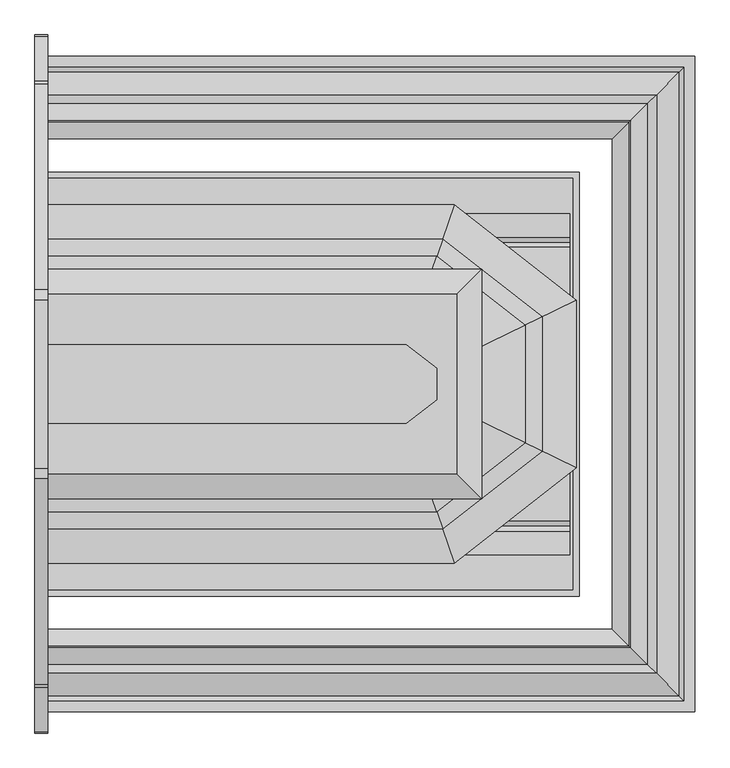
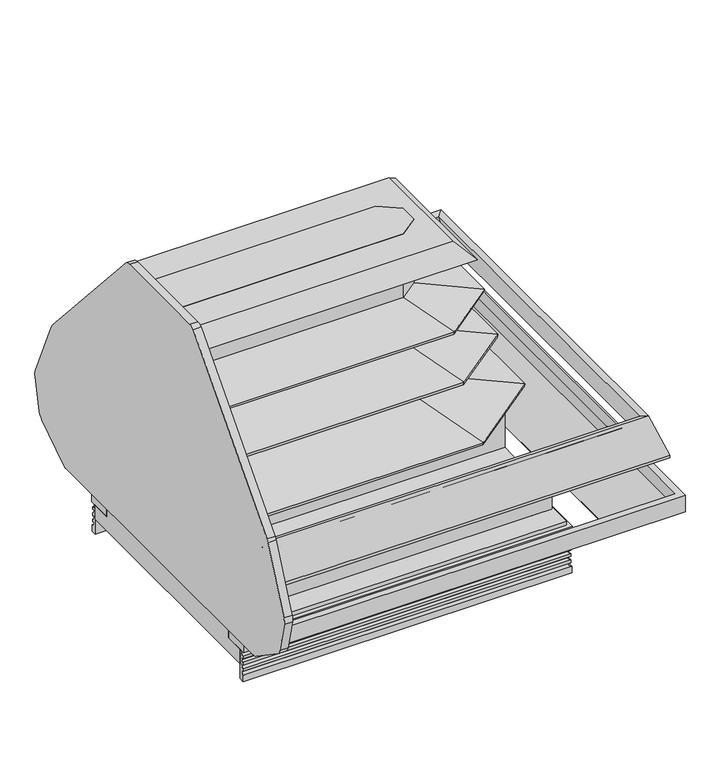
"""IFC4 building model written with IfcOpenShell, lengths in millimetres: proxy geometry."""

from ifc_helpers import new_model, si_unit, point, frame, frame_2d, origin, place, context, project, spatial, polyline, circle_curve, ellipse_curve, trimmed, segment, composite_curve, outline, extrude, faceted_brep, source, transform, mapped, element, save
from ifc_brep_helpers import plane_surface, cylinder_surface, revolved_surface, advanced_brep


def mechanical_equipment_89915a2e(model_context):
    return source(origin(), model_context, "Body", "SolidModel", [
        extrude(outline(polyline([(457.2, -1815.8571273), (762.0, -1815.8571273), (762.0, -1917.4571273), (457.2, -1917.4571273), (457.2, -1815.8571273)])), frame((0.0, 0.0, 139.7), z_axis=(0.0, 0.0, 1.0), x_axis=(1.0, 0.0, 0.0)), (0.0, 0.0, 1.0), 53.975),
        extrude(outline(composite_curve([segment(polyline([(-1085.5128753, 1566.4562797), (-480.526685, 885.637089)]), True, "CONTINUOUS"), segment(trimmed(circle_curve(frame_2d((-518.5002411, 851.8932149)), 50.8), [point((-480.526685, 885.637089))], [point((-471.9860956, 872.3156111))], False, "CARTESIAN"), True, "CONTINUOUS"), segment(polyline([(-471.9860956, 872.3156111), (-341.5370545, 575.204262)]), True, "CONTINUOUS"), segment(trimmed(circle_curve(frame_2d((-387.5961448, 554.9816613)), 50.3030156), [point((-341.5370545, 575.204262))], [point((-338.5835735, 543.6608296))], False, "CARTESIAN"), True, "CONTINUOUS"), segment(polyline([(-338.5835735, 543.6608296), (-374.9847097, 391.220334)]), True, "CONTINUOUS"), segment(trimmed(circle_curve(frame_2d((-424.3955292, 403.0191015)), 50.8), [point((-374.9847097, 391.220334))], [point((-395.2578462, 361.4061777))], False, "CARTESIAN"), True, "CONTINUOUS"), segment(polyline([(-395.2578462, 361.4061777), (-569.0199124, 245.040927)]), True, "CONTINUOUS"), segment(trimmed(circle_curve(frame_2d((-598.1575954, 286.6538508)), 50.8), [point((-569.0199124, 245.040927))], [point((-598.1575954, 235.8538508))], False, "CARTESIAN"), True, "CONTINUOUS"), segment(polyline([(-598.1575954, 235.8538508), (-2125.3844839, 235.8538508)]), True, "CONTINUOUS"), segment(trimmed(circle_curve(frame_2d((-2125.3844839, 286.6538508)), 50.8), [point((-2125.3844839, 235.8538508))], [point((-2154.5221669, 245.040927))], False, "CARTESIAN"), True, "CONTINUOUS"), segment(polyline([(-2154.5221669, 245.040927), (-2328.2842331, 361.4061777)]), True, "CONTINUOUS"), segment(trimmed(circle_curve(frame_2d((-2299.1465501, 403.0191015)), 50.8), [point((-2328.2842331, 361.4061777))], [point((-2348.5573696, 391.220334))], False, "CARTESIAN"), True, "CONTINUOUS"), segment(polyline([(-2348.5573696, 391.220334), (-2384.9585058, 543.6608296)]), True, "CONTINUOUS"), segment(trimmed(circle_curve(frame_2d((-2335.9459345, 554.9816613)), 50.3030156), [point((-2384.9585058, 543.6608296))], [point((-2382.0050248, 575.204262))], False, "CARTESIAN"), True, "CONTINUOUS"), segment(polyline([(-2382.0050248, 575.204262), (-2251.5559837, 872.3156111)]), True, "CONTINUOUS"), segment(trimmed(circle_curve(frame_2d((-2205.0418381, 851.8932149)), 50.8), [point((-2251.5559837, 872.3156111))], [point((-2243.0153942, 885.637089))], False, "CARTESIAN"), True, "CONTINUOUS"), segment(polyline([(-2243.0153942, 885.637089), (-1638.029204, 1566.4562797)]), True, "CONTINUOUS"), segment(trimmed(circle_curve(frame_2d((-1608.8053155, 1524.9038508)), 50.8), [point((-1638.029204, 1566.4562797))], [point((-1608.8053155, 1575.7038508))], False, "CARTESIAN"), True, "CONTINUOUS"), segment(polyline([(-1608.8053155, 1575.7038508), (-1114.7367637, 1575.7038508)]), True, "CONTINUOUS"), segment(trimmed(circle_curve(frame_2d((-1114.7367637, 1524.9038508)), 50.8), [point((-1114.7367637, 1575.7038508))], [point((-1085.5128753, 1566.4562797))], False, "CARTESIAN"), True, "CONTINUOUS")], self_intersect=False)), frame((-38.1, 0.0, 0.0), z_axis=(1.0, 0.0, 0.0), x_axis=(0.0, 1.0, 0.0)), (0.0, 0.0, 1.0), 38.1),
        extrude(outline(polyline([(1051.6869938, -1246.7701211), (1140.5869938, -1316.2264133), (1140.5869938, -1407.4378289), (1051.6869938, -1476.8941211), (0.0, -1476.8941211), (0.0, -1246.7701211), (1051.6869938, -1246.7701211)])), frame((0.0, 0.0, 529.6852408), z_axis=(0.0, 0.0, 1.0), x_axis=(1.0, 0.0, 0.0)), (0.0, 0.0, 1.0), 1037.1772592),
        faceted_brep([(0.0, -1645.8233285, 971.7119545), (0.0, -1648.0286603, 984.219013), (0.0, -1784.8246123, 960.0981958), (0.0, -1787.1677774, 973.3869454), (0.0, -1476.8941211, 1028.0965624), (0.0, -1476.8941211, 969.4224998), (1110.6133413, -1075.6355819, 984.219013), (1109.8539846, -1077.8409138, 971.7119545), (0.0, -1077.8409138, 971.7119545), (0.0, -1075.6355819, 984.219013), (1157.7159649, -938.83963, 960.0981958), (0.0, -938.83963, 960.0981958), (1158.5227813, -936.4964649, 973.3869454), (0.0, -936.4964649, 973.3869454), (1051.6869938, -1246.7701211, 1028.0965624), (0.0, -1246.7701211, 1028.0965624), (1051.6869938, -1246.7701211, 969.4224998), (0.0, -1246.7701211, 969.4224998), (1109.8539846, -1645.8233285, 971.7119545), (1110.6133413, -1648.0286603, 984.219013), (1157.7159649, -1784.8246123, 960.0981958), (1158.5227813, -1787.1677774, 973.3869454), (1051.6869938, -1476.8941211, 1028.0965624), (1051.6869938, -1476.8941211, 969.4224998), (1309.5162012, -1489.8301085, 971.7119545), (1311.721533, -1490.9057207, 984.219013), (1448.517485, -1557.6255645, 960.0981958), (1450.8606501, -1558.7684025, 973.3869454), (1140.5869938, -1407.4378289, 1028.0965624), (1140.5869938, -1407.4378289, 969.4224998), (1309.5162012, -1233.8341337, 971.7119545), (1311.721533, -1232.7585215, 984.219013), (1448.517485, -1166.0386778, 960.0981958), (1450.8606501, -1164.8958398, 973.3869454), (1140.5869938, -1316.2264133, 1028.0965624), (1140.5869938, -1316.2264133, 969.4224998)], [[[0, 1, 2, 3, 4, 5]], [[6, 7, 8, 9]], [[10, 6, 9, 11]], [[12, 10, 11, 13]], [[14, 12, 13, 15]], [[16, 14, 15, 17]], [[7, 16, 17, 8]], [[8, 17, 15, 13, 11, 9]], [[1, 0, 18, 19]], [[2, 1, 19, 20]], [[3, 2, 20, 21]], [[4, 3, 21, 22]], [[5, 4, 22, 23]], [[0, 5, 23, 18]], [[19, 18, 24, 25]], [[20, 19, 25, 26]], [[21, 20, 26, 27]], [[22, 21, 27, 28]], [[23, 22, 28, 29]], [[18, 23, 29, 24]], [[25, 24, 30, 31]], [[26, 25, 31, 32]], [[27, 26, 32, 33]], [[28, 27, 33, 34]], [[29, 28, 34, 35]], [[24, 29, 35, 30]], [[31, 30, 7, 6]], [[32, 31, 6, 10]], [[33, 32, 10, 12]], [[34, 33, 12, 14]], [[35, 34, 14, 16]], [[30, 35, 16, 7]]]),
        faceted_brep([(0.0, -1476.8941211, 734.6361537), (0.0, -1748.5765466, 725.7131569), (0.0, -1749.6792126, 731.9666861), (0.0, -1884.9117822, 708.1215354), (0.0, -1887.2549473, 721.410285), (0.0, -1476.8941211, 793.7679705), (1145.234755, -975.0876956, 725.7131569), (1051.6869938, -1246.7701211, 734.6361537), (0.0, -1246.7701211, 734.6361537), (0.0, -975.0876956, 725.7131569), (1145.6144333, -973.9850297, 731.9666861), (0.0, -973.9850297, 731.9666861), (1192.1787412, -838.7524601, 708.1215354), (0.0, -838.7524601, 708.1215354), (1192.9855577, -836.409295, 721.410285), (0.0, -836.409295, 721.410285), (1051.6869938, -1246.7701211, 793.7679705), (0.0, -1246.7701211, 793.7679705), (1051.6869938, -1476.8941211, 734.6361537), (1145.234755, -1748.5765466, 725.7131569), (1145.6144333, -1749.6792126, 731.9666861), (1192.1787412, -1884.9117822, 708.1215354), (1192.9855577, -1887.2549473, 721.410285), (1051.6869938, -1476.8941211, 793.7679705), (1140.5869938, -1407.4378289, 734.6361537), (1412.2694193, -1539.9462016, 725.7131569), (1413.3720853, -1540.4840077, 731.9666861), (1548.6046549, -1606.4413389, 708.1215354), (1550.94782, -1607.5841769, 721.410285), (1140.5869938, -1407.4378289, 793.7679705), (1140.5869938, -1316.2264133, 734.6361537), (1412.2694193, -1183.7180407, 725.7131569), (1413.3720853, -1183.1802346, 731.9666861), (1548.6046549, -1117.2229033, 708.1215354), (1550.94782, -1116.0800653, 721.410285), (1140.5869938, -1316.2264133, 793.7679705)], [[[0, 1, 2, 3, 4, 5]], [[6, 7, 8, 9]], [[10, 6, 9, 11]], [[12, 10, 11, 13]], [[14, 12, 13, 15]], [[16, 14, 15, 17]], [[7, 16, 17, 8]], [[8, 17, 15, 13, 11, 9]], [[1, 0, 18, 19]], [[2, 1, 19, 20]], [[3, 2, 20, 21]], [[4, 3, 21, 22]], [[5, 4, 22, 23]], [[0, 5, 23, 18]], [[19, 18, 24, 25]], [[20, 19, 25, 26]], [[21, 20, 26, 27]], [[22, 21, 27, 28]], [[23, 22, 28, 29]], [[18, 23, 29, 24]], [[25, 24, 30, 31]], [[26, 25, 31, 32]], [[27, 26, 32, 33]], [[28, 27, 33, 34]], [[29, 28, 34, 35]], [[24, 29, 35, 30]], [[31, 30, 7, 6]], [[32, 31, 6, 10]], [[33, 32, 10, 12]], [[34, 33, 12, 14]], [[35, 34, 14, 16]], [[30, 35, 16, 7]]]),
        faceted_brep([(0.0, -1645.8233285, 1192.8622556), (0.0, -1648.0286603, 1205.3693141), (0.0, -1734.7963784, 1190.0698243), (0.0, -1737.1395435, 1203.3585739), (0.0, -1476.8941211, 1249.2468635), (0.0, -1476.8941211, 1190.5728009), (0.0, -1077.8409138, 1192.8622556), (0.0, -1246.7701211, 1190.5728009), (0.0, -1246.7701211, 1249.2468635), (0.0, -986.5246988, 1203.3585739), (0.0, -988.8678638, 1190.0698243), (0.0, -1075.6355819, 1205.3693141), (1110.6133413, -1648.0286603, 1205.3693141), (1109.8539846, -1645.8233285, 1192.8622556), (1309.5162012, -1489.8301085, 1192.8622556), (1311.721533, -1490.9057207, 1205.3693141), (1140.4898625, -1734.7963784, 1190.0698243), (1398.4892511, -1533.2251645, 1190.0698243), (1141.296679, -1737.1395435, 1203.3585739), (1400.8324162, -1534.3680025, 1203.3585739), (1051.6869938, -1476.8941211, 1249.2468635), (1140.5869938, -1407.4378289, 1249.2468635), (1051.6869938, -1476.8941211, 1190.5728009), (1140.5869938, -1407.4378289, 1190.5728009), (1309.5162012, -1233.8341337, 1192.8622556), (1311.721533, -1232.7585215, 1205.3693141), (1398.4892511, -1190.4390778, 1190.0698243), (1400.8324162, -1189.2962398, 1203.3585739), (1140.5869938, -1316.2264133, 1249.2468635), (1140.5869938, -1316.2264133, 1190.5728009), (1109.8539846, -1077.8409138, 1192.8622556), (1110.6133413, -1075.6355819, 1205.3693141), (1140.4898625, -988.8678638, 1190.0698243), (1141.296679, -986.5246988, 1203.3585739), (1051.6869938, -1246.7701211, 1249.2468635), (1051.6869938, -1246.7701211, 1190.5728009)], [[[0, 1, 2, 3, 4, 5]], [[6, 7, 8, 9, 10, 11]], [[12, 13, 14, 15]], [[16, 12, 15, 17]], [[18, 16, 17, 19]], [[20, 18, 19, 21]], [[22, 20, 21, 23]], [[13, 22, 23, 14]], [[15, 14, 24, 25]], [[17, 15, 25, 26]], [[19, 17, 26, 27]], [[21, 19, 27, 28]], [[23, 21, 28, 29]], [[14, 23, 29, 24]], [[25, 24, 30, 31]], [[26, 25, 31, 32]], [[27, 26, 32, 33]], [[28, 27, 33, 34]], [[29, 28, 34, 35]], [[24, 29, 35, 30]], [[31, 30, 6, 11]], [[32, 31, 11, 10]], [[33, 32, 10, 9]], [[34, 33, 9, 8]], [[35, 34, 8, 7]], [[30, 35, 7, 6]], [[1, 0, 13, 12]], [[2, 1, 12, 16]], [[3, 2, 16, 18]], [[4, 3, 18, 20]], [[5, 4, 20, 22]], [[0, 5, 22, 13]]]),
        faceted_brep([(0.0, -400.0738396, 393.2587782), (0.0, -624.4162298, 236.1725455), (0.0, -642.1057162, 261.4357503), (0.0, -431.0303317, 409.2323256), (0.0, -431.0303317, 475.7067395), (0.0, -400.0738396, 475.7067395), (0.0, -2323.590415, 393.2587782), (0.0, -2323.590415, 475.7067395), (0.0, -2292.6339229, 475.7067395), (0.0, -2292.6339229, 409.2323256), (0.0, -2081.5585384, 261.4357503), (0.0, -2099.2480248, 236.1725455), (1867.4267956, -431.0303317, 409.2323256), (1867.4267956, -431.0303317, 475.7067395), (1867.4267956, -2292.6339229, 475.7067395), (1898.3832877, -2323.590415, 475.7067395), (1898.3832877, -400.0738396, 475.7067395), (1898.3832877, -400.0738396, 393.2587782), (1867.4267956, -2292.6339229, 409.2323256), (1898.3832877, -2323.590415, 393.2587782), (1674.0408975, -624.4162298, 236.1725455), (1656.3514111, -642.1057162, 261.4357503), (1674.0408975, -2099.2480248, 236.1725455), (1656.3514111, -2081.5585384, 261.4357503)], [[[0, 1, 2, 3, 4, 5]], [[6, 7, 8, 9, 10, 11]], [[4, 3, 12, 13]], [[5, 4, 13, 14, 8, 7, 15, 16]], [[0, 5, 16, 17]], [[13, 12, 18, 14]], [[17, 16, 15, 19]], [[14, 18, 9, 8]], [[19, 15, 7, 6]], [[1, 0, 17, 20]], [[2, 1, 20, 21]], [[3, 2, 21, 12]], [[20, 17, 19, 22]], [[21, 20, 22, 23]], [[12, 21, 23, 18]], [[22, 19, 6, 11]], [[23, 22, 11, 10]], [[18, 23, 10, 9]]]),
        extrude(outline(composite_curve([segment(trimmed(circle_curve(frame_2d((974.725, -1361.8321273)), 19.05), [point((955.675, -1361.8321273))], [point((993.775, -1361.8321273))], False, "CARTESIAN"), True, "CONTINUOUS"), segment(trimmed(circle_curve(frame_2d((974.725, -1361.8321273)), 19.05), [point((993.775, -1361.8321273))], [point((955.675, -1361.8321273))], False, "CARTESIAN"), True, "CONTINUOUS")], self_intersect=False)), frame((0.0, 0.0, 43.7437524), z_axis=(0.0, 0.0, 1.0), x_axis=(1.0, 0.0, 0.0)), (0.0, 0.0, 1.0), 210.2562476),
        extrude(outline(composite_curve([segment(trimmed(circle_curve(frame_2d((105.4191453, -889.3908129)), 11.1125), [point((94.3066453, -889.3908129))], [point((116.5316453, -889.3908129))], False, "CARTESIAN"), True, "CONTINUOUS"), segment(trimmed(circle_curve(frame_2d((105.4191453, -889.3908129)), 11.1125), [point((116.5316453, -889.3908129))], [point((94.3066453, -889.3908129))], False, "CARTESIAN"), True, "CONTINUOUS")], self_intersect=False)), frame((0.0, 0.0, 43.7437524), z_axis=(0.0, 0.0, 1.0), x_axis=(1.0, 0.0, 0.0)), (0.0, 0.0, 1.0), 210.2562476),
        extrude(outline(composite_curve([segment(trimmed(circle_curve(frame_2d((105.8867913, -909.9672391)), 4.7625), [point((101.1242913, -909.9672391))], [point((110.6492913, -909.9672391))], False, "CARTESIAN"), True, "CONTINUOUS"), segment(trimmed(circle_curve(frame_2d((105.8867913, -909.9672391)), 4.7625), [point((110.6492913, -909.9672391))], [point((101.1242913, -909.9672391))], False, "CARTESIAN"), True, "CONTINUOUS")], self_intersect=False)), frame((0.0, 0.0, 43.7437524), z_axis=(0.0, 0.0, 1.0), x_axis=(1.0, 0.0, 0.0)), (0.0, 0.0, 1.0), 210.2562476),
        faceted_brep([(0.0, -1983.9416266, 146.05), (0.0, -1983.9416266, 233.7483804), (0.0, -1966.0346266, 233.7483804), (0.0, -1966.0346266, 254.0), (0.0, -1862.2307062, 254.0), (0.0, -1862.2307062, 146.05), (0.0, -739.722628, 146.05), (0.0, -861.4335484, 146.05), (0.0, -861.4335484, 254.0), (0.0, -757.629628, 254.0), (0.0, -757.629628, 233.7483804), (0.0, -739.722628, 233.7483804), (781.05, -1945.8161983, 206.9984495), (406.4, -1945.8161983, 206.9984495), (406.4, -1862.2307062, 206.9984495), (781.05, -1862.2307062, 206.9984495), (781.05, -1945.8161983, 146.05), (406.4, -1945.8161983, 146.05), (781.05, -1862.2307062, 146.05), (406.4, -1862.2307062, 146.05), (1558.7344993, -1983.9416266, 233.7483804), (1558.7344993, -1983.9416266, 146.05), (1558.7344993, -739.722628, 146.05), (1558.7344993, -739.722628, 233.7483804), (1540.8274993, -1966.0346266, 254.0), (1540.8274993, -1966.0346266, 233.7483804), (1540.8274993, -757.629628, 233.7483804), (1540.8274993, -757.629628, 254.0), (1437.0235789, -1862.2307062, 146.05), (1437.0235789, -1862.2307062, 254.0), (1437.0235789, -861.4335484, 254.0), (1437.0235789, -861.4335484, 146.05)], [[[0, 1, 2, 3, 4, 5]], [[6, 7, 8, 9, 10, 11]], [[12, 13, 14, 15]], [[13, 12, 16, 17]], [[12, 15, 18, 16]], [[14, 13, 17, 19]], [[20, 21, 22, 23]], [[24, 25, 26, 27]], [[28, 29, 30, 31]], [[6, 11, 23, 22]], [[10, 9, 27, 26]], [[8, 7, 31, 30]], [[1, 0, 21, 20]], [[2, 1, 20, 23, 11, 10, 26, 25]], [[3, 2, 25, 24]], [[4, 3, 24, 27, 9, 8, 30, 29]], [[5, 4, 29, 28, 18, 15, 14, 19]], [[0, 5, 19, 17, 16, 18, 28, 31, 7, 6, 22, 21]]]),
        advanced_brep(
        [(1531.7553221, -1476.8941211, 529.6852408), (1531.7553221, -1476.8941211, 330.5006237), (1531.7553221, -1762.7267176, 316.0191309), (1531.7553221, -1778.0110647, 301.5392231), (1531.7553221, -1793.2737198, 315.9985806), (1531.7553221, -1862.2498492, 318.4951693), (1531.7553221, -1862.2498492, 146.05), (1531.7553221, -1956.9624494, 146.05), (1531.7553221, -1956.9624494, 74.4934376), (1531.7553221, -766.7018052, 74.4934376), (1531.7553221, -766.7018052, 146.05), (1531.7553221, -861.4335484, 146.05), (1531.7553221, -861.4335484, 318.4944764), (1531.7553221, -930.3905348, 315.9985806), (1531.7553221, -945.6531899, 301.5392231), (1531.7553221, -960.937537, 316.0191309), (1531.7553221, -1246.7701335, 330.5006237), (1531.7553221, -1246.7701335, 529.6852408), (0.0, -1476.8941211, 529.6852408), (0.0, -1246.7701335, 529.6852408), (0.0, -1246.7701335, 330.5006237), (0.0, -960.937537, 316.0191309), (0.0, -945.6531899, 301.5392231), (0.0, -930.3905348, 315.9985806), (0.0, -861.4335484, 318.4944764), (0.0, -861.4335484, 146.05), (0.0, -766.7018052, 146.05), (0.0, -766.7018052, 74.4934376), (0.0, -1956.9624494, 74.4934376), (0.0, -1956.9624494, 146.05), (0.0, -1862.2498492, 146.05), (0.0, -1862.2498492, 318.4951693), (0.0, -1793.2737198, 315.9985806), (0.0, -1778.0110647, 301.5392231), (0.0, -1762.7267176, 316.0191309), (0.0, -1476.8941211, 330.5006237), (80.9625, -896.6946273, 254.0), (131.7625, -896.6946273, 254.0), (131.7625, -896.6946273, 74.4934376), (80.9625, -896.6946273, 74.4934376), (942.975, -1361.3307706, 254.0), (1006.475, -1361.3307706, 254.0), (1006.475, -1361.3307706, 74.4934376), (942.975, -1361.3307706, 74.4934376), (406.4, -1788.8696273, 206.9984495), (781.05, -1788.8696273, 206.9984495), (781.05, -1862.2498492, 206.9984495), (406.4, -1862.2498492, 206.9984495), (406.4, -1945.8161983, 74.4934376), (406.4, -1945.8161983, 146.05), (781.05, -1945.8161983, 146.05), (781.05, -1945.8161983, 74.4934376), (781.05, -1788.8696273, 74.4934376), (781.05, -1862.2498492, 146.05), (406.4, -1788.8696273, 74.4934376), (406.4, -1862.2498492, 146.05)],
        [
            (0, 1),
            (1, 2),
            (2, 3),
            (3, 4),
            (4, 5),
            (5, 6),
            (6, 7),
            (7, 8),
            (8, 9),
            (9, 10),
            (10, 11),
            (11, 12),
            (12, 13),
            (13, 14),
            (14, 15),
            (15, 16),
            (16, 17),
            (17, 0),
            (18, 19),
            (19, 20),
            (20, 21),
            (21, 22),
            (22, 23),
            (23, 24),
            (24, 25),
            (25, 26),
            (26, 27),
            (27, 28),
            (28, 29),
            (29, 30),
            (30, 31),
            (31, 32),
            (32, 33),
            (33, 34),
            (34, 35),
            (35, 18),
            (17, 19),
            (18, 0),
            (36, 37, circle_curve(frame((106.3625, -896.6946273, 254.0), z_axis=(0.0, 0.0, -1.0), x_axis=(1.0, 0.0, 0.0)), 25.4)),
            (37, 36, circle_curve(frame((106.3625, -896.6946273, 254.0), z_axis=(0.0, 0.0, -1.0), x_axis=(1.0, 0.0, 0.0)), 25.4)),
            (37, 38),
            (38, 39, circle_curve(frame((106.3625, -896.6946273, 74.4934376), z_axis=(0.0, 0.0, -1.0), x_axis=(1.0, 0.0, 0.0)), 25.4)),
            (39, 36),
            (39, 38, circle_curve(frame((106.3625, -896.6946273, 74.4934376), z_axis=(0.0, 0.0, -1.0), x_axis=(1.0, 0.0, 0.0)), 25.4)),
            (40, 41, circle_curve(frame((974.725, -1361.3307706, 254.0), z_axis=(0.0, 0.0, -1.0), x_axis=(1.0, 0.0, 0.0)), 31.75)),
            (41, 40, circle_curve(frame((974.725, -1361.3307706, 254.0), z_axis=(0.0, 0.0, -1.0), x_axis=(1.0, 0.0, 0.0)), 31.75)),
            (41, 42),
            (42, 43, circle_curve(frame((974.725, -1361.3307706, 74.4934376), z_axis=(0.0, 0.0, -1.0), x_axis=(1.0, 0.0, 0.0)), 31.75)),
            (43, 40),
            (43, 42, circle_curve(frame((974.725, -1361.3307706, 74.4934376), z_axis=(0.0, 0.0, -1.0), x_axis=(1.0, 0.0, 0.0)), 31.75)),
            (44, 45),
            (45, 46),
            (46, 47),
            (47, 44),
            (48, 49),
            (49, 50),
            (50, 51),
            (51, 48),
            (45, 52),
            (52, 51),
            (50, 53),
            (53, 46),
            (44, 54),
            (54, 52),
            (47, 55),
            (55, 49),
            (48, 54),
            (11, 25),
            (24, 12),
            (23, 13),
            (22, 14),
            (21, 15),
            (20, 16),
            (35, 1),
            (34, 2),
            (33, 3),
            (32, 4),
            (31, 5),
            (30, 55),
            (53, 6),
            (29, 7),
            (28, 8),
            (27, 9),
            (26, 10),
        ],
        [
            plane_surface(frame((1531.7553221, -1476.8941211, 561.4683528), z_axis=(1.0, 0.0, 0.0), x_axis=(0.0, 0.0, -1.0))),
            plane_surface(frame((0.0, -1476.8941211, 561.4683528), z_axis=(-1.0, 0.0, 0.0), x_axis=(0.0, 0.0, 1.0))),
            plane_surface(frame((1531.7553221, -1246.7701335, 529.6852408), z_axis=(0.0, 0.0, 1.0), x_axis=(-1.0, 0.0, 0.0))),
            plane_surface(frame((131.7625, -896.6946273, 254.0), z_axis=(0.0, 0.0, -1.0), x_axis=(0.0, 1.0, 0.0))),
            revolved_surface(polyline([(131.7625, -896.6946273, 254.0), (131.7625, -896.6946273, 74.4934376)]), (106.3625, -896.6946273, 0.0), (0.0, 0.0, 1.0)),
            plane_surface(frame((1006.475, -1361.3307706, 254.0), z_axis=(0.0, 0.0, -1.0), x_axis=(0.0, 1.0, 0.0))),
            revolved_surface(polyline([(1006.475, -1361.3307706, 254.0), (1006.475, -1361.3307706, 74.4934376)]), (974.725, -1361.3307706, 0.0), (0.0, 0.0, 1.0)),
            plane_surface(frame((781.05, -1945.8161983, 206.9984495), z_axis=(0.0, 0.0, -1.0), x_axis=(1.0, 0.0, 0.0))),
            plane_surface(frame((406.4, -1945.8161983, 206.9984495), z_axis=(0.0, 1.0, 0.0), x_axis=(0.0, 0.0, -1.0))),
            plane_surface(frame((781.05, -1945.8161983, 206.9984495), z_axis=(-1.0, 0.0, 0.0), x_axis=(0.0, 0.0, -1.0))),
            plane_surface(frame((781.05, -1788.8696273, 206.9984495), z_axis=(0.0, -1.0, 0.0), x_axis=(0.0, 0.0, -1.0))),
            plane_surface(frame((406.4, -1788.8696273, 206.9984495), z_axis=(1.0, 0.0, 0.0), x_axis=(0.0, 0.0, -1.0))),
            plane_surface(frame((1531.7553221, -861.4335484, 146.05), z_axis=(0.0, 1.0, 0.0), x_axis=(-1.0, 0.0, 0.0))),
            plane_surface(frame((1531.7553221, -861.4335484, 318.4944764), z_axis=(0.0, -0.03617128099651393, 0.9993456050991926), x_axis=(-1.0, 0.0, 0.0))),
            plane_surface(frame((1531.7553221, -930.3905348, 315.9985806), z_axis=(0.0, -0.6877446479107889, 0.7259526839058211), x_axis=(-1.0, 0.0, 0.0))),
            plane_surface(frame((1531.7553221, -945.6531899, 301.5392231), z_axis=(0.0, 0.6877446479107768, 0.7259526839058327), x_axis=(-1.0, 0.0, 0.0))),
            plane_surface(frame((1531.7553221, -960.937537, 316.0191309), z_axis=(0.0, 0.05059934604184178, 0.998719032651395), x_axis=(-1.0, 0.0, 0.0))),
            plane_surface(frame((1531.7553221, -1246.7701335, 330.5006237), z_axis=(0.0, 1.0, 0.0), x_axis=(-1.0, 0.0, 0.0))),
            plane_surface(frame((1531.7553221, -1476.8941211, 529.6852408), z_axis=(0.0, -1.0, 0.0), x_axis=(-1.0, 0.0, 0.0))),
            plane_surface(frame((1531.7553221, -1476.8941211, 330.5006237), z_axis=(0.0, -0.05059934604185542, 0.9987190326513942), x_axis=(-1.0, 0.0, 0.0))),
            plane_surface(frame((1531.7553221, -1762.7267176, 316.0191309), z_axis=(0.0, -0.6877446479107836, 0.7259526839058262), x_axis=(-1.0, 0.0, 0.0))),
            plane_surface(frame((1531.7553221, -1778.0110647, 301.5392231), z_axis=(0.0, 0.6877446479107799, 0.7259526839058296), x_axis=(-1.0, 0.0, 0.0))),
            plane_surface(frame((1531.7553221, -1793.2737198, 315.9985806), z_axis=(0.0, 0.03617128099650122, 0.999345605099193), x_axis=(-1.0, 0.0, 0.0))),
            plane_surface(frame((1531.7553221, -1862.2498492, 318.4951693), z_axis=(0.0, -1.0, 0.0), x_axis=(-1.0, 0.0, 0.0))),
            plane_surface(frame((1531.7553221, -1862.2498492, 146.05), z_axis=(0.0, 0.0, 1.0), x_axis=(-1.0, 0.0, 0.0))),
            plane_surface(frame((1531.7553221, -1956.9624494, 146.05), z_axis=(0.0, -1.0, 0.0), x_axis=(-1.0, 0.0, 0.0))),
            plane_surface(frame((1531.7553221, -1956.9624494, 74.4934376), z_axis=(0.0, 0.0, -1.0), x_axis=(-1.0, 0.0, 0.0))),
            plane_surface(frame((1531.7553221, -766.7018052, 74.4934376), z_axis=(0.0, 1.0, 0.0), x_axis=(-1.0, 0.0, 0.0))),
            plane_surface(frame((1531.7553221, -766.7018052, 146.05), z_axis=(0.0, 0.0, 1.0), x_axis=(-1.0, 0.0, 0.0))),
        ],
        [
            (0, [[1, 2, 3, 4, 5, 6, 7, 8, 9, 10, 11, 12, 13, 14, 15, 16, 17, 18]]),
            (1, [[19, 20, 21, 22, 23, 24, 25, 26, 27, 28, 29, 30, 31, 32, 33, 34, 35, 36]]),
            (2, [[-18, 37, -19, 38]]),
            (3, [[39, 40]]),
            (4, [[-40, 41, 42, 43]]),
            (4, [[-39, -43, 44, -41]]),
            (5, [[45, 46]]),
            (6, [[-46, 47, 48, 49]]),
            (6, [[-45, -49, 50, -47]]),
            (7, [[51, 52, 53, 54]]),
            (8, [[55, 56, 57, 58]]),
            (9, [[-52, 59, 60, -57, 61, 62]]),
            (10, [[-51, 63, 64, -59]]),
            (11, [[-54, 65, 66, -55, 67, -63]]),
            (12, [[-12, 68, -25, 69]]),
            (13, [[-13, -69, -24, 70]]),
            (14, [[-14, -70, -23, 71]]),
            (15, [[-15, -71, -22, 72]]),
            (16, [[-16, -72, -21, 73]]),
            (17, [[-17, -73, -20, -37]]),
            (18, [[-1, -38, -36, 74]]),
            (19, [[-2, -74, -35, 75]]),
            (20, [[-3, -75, -34, 76]]),
            (21, [[-4, -76, -33, 77]]),
            (22, [[-5, -77, -32, 78]]),
            (23, [[-6, -78, -31, 79, -65, -53, -62, 80]]),
            (24, [[-7, -80, -61, -56, -66, -79, -30, 81]]),
            (25, [[-8, -81, -29, 82]]),
            (26, [[-9, -82, -28, 83], [-42, -44], [-48, -50], [-58, -60, -64, -67]]),
            (27, [[-10, -83, -27, 84]]),
            (28, [[-11, -84, -26, -68]]),
        ],
    ),
        advanced_brep(
        [(0.0, -1970.5598032, 41.0863151), (0.0, -1967.0707061, 52.2515752), (0.0, -1977.7079014, 50.0937524), (0.0, -1979.7018014, 50.0937524), (0.0, -1979.7018014, 62.7937524), (0.0, -1970.5598032, 72.0584982), (0.0, -1967.0707061, 83.2237583), (0.0, -1977.7079014, 81.0659355), (0.0, -1979.7018014, 81.0659355), (0.0, -1979.7018014, 93.7659355), (0.0, -1970.5598032, 103.0306813), (0.0, -1967.0707061, 114.0694894), (0.0, -1977.7079014, 112.0383055), (0.0, -1979.7018014, 112.0383055), (0.0, -1979.7018014, 124.7383055), (0.0, -1967.0707061, 137.4381186), (0.0, -1967.0707061, 146.05), (0.0, -1956.9624494, 146.05), (0.0, -1956.9624494, 0.0), (0.0, -1982.5901061, 0.0), (0.0, -1982.5901061, 31.4790022), (0.0, -753.1044514, 41.0863151), (0.0, -741.0741485, 31.4790022), (0.0, -741.0741485, 0.0), (0.0, -766.7018052, 0.0), (0.0, -766.7018052, 146.05), (0.0, -756.5935485, 146.05), (0.0, -756.5935485, 137.4381186), (0.0, -743.9624532, 124.7383055), (0.0, -743.9624532, 112.0383055), (0.0, -745.9563532, 112.0383055), (0.0, -756.5935485, 114.0694894), (0.0, -753.1044514, 103.0306813), (0.0, -743.9624532, 93.7659355), (0.0, -743.9624532, 81.0659355), (0.0, -745.9563532, 81.0659355), (0.0, -756.5935485, 83.2237583), (0.0, -753.1044514, 72.0584982), (0.0, -743.9624532, 62.7937524), (0.0, -743.9624532, 50.0937524), (0.0, -745.9563532, 50.0937524), (0.0, -756.5935485, 52.2515752), (1545.3526759, -1970.5598032, 41.0863151), (1541.8635788, -1967.0707061, 52.2515752), (1552.5007741, -1977.7079014, 50.0937524), (1552.5007741, -745.9563532, 50.0937524), (1554.4946741, -743.9624532, 50.0937524), (1554.4946741, -1979.7018014, 50.0937524), (1554.4946741, -1979.7018014, 62.7937524), (1545.3526759, -1970.5598032, 72.0584982), (1541.8635788, -1967.0707061, 83.2237583), (1552.5007741, -1977.7079014, 81.0659355), (1552.5007741, -745.9563532, 81.0659355), (1554.4946741, -743.9624532, 81.0659355), (1554.4946741, -1979.7018014, 81.0659355), (1554.4946741, -1979.7018014, 93.7659355), (1545.3526759, -1970.5598032, 103.0306813), (1541.8635788, -1967.0707061, 114.0694894), (1552.5007741, -1977.7079014, 112.0383055), (1552.5007741, -745.9563532, 112.0383055), (1554.4946741, -743.9624532, 112.0383055), (1554.4946741, -1979.7018014, 112.0383055), (1554.4946741, -1979.7018014, 124.7383055), (1541.8635788, -1967.0707061, 137.4381186), (1541.8635788, -1967.0707061, 146.05), (1541.8635788, -756.5935485, 146.05), (1531.7553221, -766.7018052, 146.05), (1531.7553221, -1956.9624494, 146.05), (1531.7553221, -1956.9624494, 0.0), (1531.7553221, -766.7018052, 0.0), (1557.3829788, -741.0741485, 0.0), (1557.3829788, -1982.5901061, 0.0), (1557.3829788, -1982.5901061, 31.4790022), (1545.3526759, -753.1044514, 41.0863151), (1541.8635788, -756.5935485, 52.2515752), (1554.4946741, -743.9624532, 62.7937524), (1545.3526759, -753.1044514, 72.0584982), (1541.8635788, -756.5935485, 83.2237583), (1554.4946741, -743.9624532, 93.7659355), (1545.3526759, -753.1044514, 103.0306813), (1541.8635788, -756.5935485, 114.0694894), (1554.4946741, -743.9624532, 124.7383055), (1541.8635788, -756.5935485, 137.4381186), (1557.3829788, -741.0741485, 31.4790022)],
        [
            (0, 1),
            (1, 2),
            (2, 3),
            (3, 4),
            (4, 5, circle_curve(frame((0.0, -1982.8936404, 75.0861144), z_axis=(1.0, 0.0, 0.0), x_axis=(0.0, 1.0, 0.0)), 12.7)),
            (5, 6),
            (6, 7),
            (7, 8),
            (8, 9),
            (9, 10, circle_curve(frame((0.0, -1982.8936404, 106.0582975), z_axis=(1.0, 0.0, 0.0), x_axis=(0.0, 1.0, 0.0)), 12.7)),
            (10, 11),
            (11, 12),
            (12, 13),
            (13, 14),
            (14, 15, circle_curve(frame((0.0, -1979.7707061, 137.4381186), z_axis=(1.0, 0.0, 0.0), x_axis=(0.0, 1.0, 0.0)), 12.7)),
            (15, 16),
            (16, 17),
            (17, 18),
            (18, 19),
            (19, 20),
            (20, 0, circle_curve(frame((0.0, -1981.5363588, 42.4953422), z_axis=(1.0, 0.0, 0.0), x_axis=(0.0, 1.0, 0.0)), 11.0666223)),
            (21, 22, circle_curve(frame((0.0, -742.1278958, 42.4953422), z_axis=(1.0, 0.0, 0.0), x_axis=(0.0, -1.0, 0.0)), 11.0666223)),
            (22, 23),
            (23, 24),
            (24, 25),
            (25, 26),
            (26, 27),
            (27, 28, circle_curve(frame((0.0, -743.8935485, 137.4381186), z_axis=(1.0, 0.0, 0.0), x_axis=(0.0, -1.0, 0.0)), 12.7)),
            (28, 29),
            (29, 30),
            (30, 31),
            (31, 32),
            (32, 33, circle_curve(frame((0.0, -740.7706142, 106.0582975), z_axis=(1.0, 0.0, 0.0), x_axis=(0.0, -1.0, 0.0)), 12.7)),
            (33, 34),
            (34, 35),
            (35, 36),
            (36, 37),
            (37, 38, circle_curve(frame((0.0, -740.7706142, 75.0861144), z_axis=(1.0, 0.0, 0.0), x_axis=(0.0, -1.0, 0.0)), 12.7)),
            (38, 39),
            (39, 40),
            (40, 41),
            (41, 21),
            (0, 42),
            (42, 43),
            (43, 1),
            (43, 44),
            (44, 2),
            (44, 45),
            (45, 40),
            (39, 46),
            (46, 47),
            (47, 3),
            (47, 48),
            (48, 4),
            (48, 49, ellipse_curve(frame((1557.6865131, -1982.8936404, 75.0861144), z_axis=(0.7071067811865475, 0.7071067811865475, 0.0), x_axis=(0.7071067811865476, -0.7071067811865474, 0.0)), 17.9605122, 12.7)),
            (49, 5),
            (49, 50),
            (50, 6),
            (50, 51),
            (51, 7),
            (51, 52),
            (52, 35),
            (34, 53),
            (53, 54),
            (54, 8),
            (54, 55),
            (55, 9),
            (55, 56, ellipse_curve(frame((1557.6865131, -1982.8936404, 106.0582975), z_axis=(0.7071067811865475, 0.7071067811865475, 0.0), x_axis=(0.7071067811865476, -0.7071067811865474, 0.0)), 17.9605122, 12.7)),
            (56, 10),
            (56, 57),
            (57, 11),
            (57, 58),
            (58, 12),
            (58, 59),
            (59, 30),
            (29, 60),
            (60, 61),
            (61, 13),
            (61, 62),
            (62, 14),
            (62, 63, ellipse_curve(frame((1554.5635788, -1979.7707061, 137.4381186), z_axis=(0.7071067811865475, 0.7071067811865475, 0.0), x_axis=(0.7071067811865476, -0.7071067811865474, 0.0)), 17.9605122, 12.7)),
            (63, 15),
            (63, 64),
            (64, 16),
            (64, 65),
            (65, 26),
            (25, 66),
            (66, 67),
            (67, 17),
            (67, 68),
            (68, 18),
            (68, 69),
            (69, 24),
            (23, 70),
            (70, 71),
            (71, 19),
            (71, 72),
            (72, 20),
            (72, 42, ellipse_curve(frame((1556.3292315, -1981.5363588, 42.4953422), z_axis=(0.7071067811865475, 0.7071067811865475, 0.0), x_axis=(0.7071067811865476, -0.7071067811865474, 0.0)), 15.6505674, 11.0666223)),
            (42, 73),
            (73, 74),
            (74, 43),
            (74, 45),
            (46, 75),
            (75, 48),
            (75, 76, ellipse_curve(frame((1557.6865131, -740.7706142, 75.0861144), z_axis=(-0.7071067811865475, 0.7071067811865475, 0.0), x_axis=(0.7071067811865474, 0.7071067811865476, 0.0)), 17.9605122, 12.7)),
            (76, 49),
            (76, 77),
            (77, 50),
            (77, 52),
            (53, 78),
            (78, 55),
            (78, 79, ellipse_curve(frame((1557.6865131, -740.7706142, 106.0582975), z_axis=(-0.7071067811865475, 0.7071067811865475, 0.0), x_axis=(0.7071067811865474, 0.7071067811865476, 0.0)), 17.9605122, 12.7)),
            (79, 56),
            (79, 80),
            (80, 57),
            (80, 59),
            (60, 81),
            (81, 62),
            (81, 82, ellipse_curve(frame((1554.5635788, -743.8935485, 137.4381186), z_axis=(-0.7071067811865475, 0.7071067811865475, 0.0), x_axis=(0.7071067811865474, 0.7071067811865476, 0.0)), 17.9605122, 12.7)),
            (82, 63),
            (82, 65),
            (66, 69),
            (70, 83),
            (83, 72),
            (83, 73, ellipse_curve(frame((1556.3292315, -742.1278958, 42.4953422), z_axis=(-0.7071067811865475, 0.7071067811865475, 0.0), x_axis=(0.7071067811865474, 0.7071067811865476, 0.0)), 15.6505674, 11.0666223)),
            (41, 74),
            (73, 21),
            (38, 75),
            (37, 76),
            (36, 77),
            (33, 78),
            (32, 79),
            (31, 80),
            (28, 81),
            (27, 82),
            (22, 83),
        ],
        [
            plane_surface(frame((0.0, -2374.6571273, 0.0), z_axis=(-1.0, 0.0, 0.0), x_axis=(0.0, 0.0, 1.0))),
            plane_surface(frame((0.0, -349.0071273, 0.0), z_axis=(-1.0, 0.0, 0.0), x_axis=(0.0, 0.0, 1.0))),
            plane_surface(frame((0.0, -1970.5598032, 41.0863151), z_axis=(0.0, -0.9544811145040176, 0.29827135641085006), x_axis=(1.0, 0.0, 0.0))),
            plane_surface(frame((0.0, -1967.0707061, 52.2515752), z_axis=(0.0, 0.19880707887699167, -0.9800386448443743), x_axis=(1.0, 0.0, 0.0))),
            plane_surface(frame((0.0, -1977.7079014, 50.0937524), z_axis=(0.0, 0.0, -1.0), x_axis=(1.0, 0.0, 0.0))),
            plane_surface(frame((0.0, -1979.7018014, 50.0937524), z_axis=(0.0, -1.0, 0.0), x_axis=(1.0, 0.0, 0.0))),
            revolved_surface(polyline([(1570.3865130702036, -1970.1936404, 75.0861144), (0.0, -1970.1936404, 75.0861144)]), (0.0, -1982.8936404, 75.0861144), (1.0, 0.0, 0.0)),
            plane_surface(frame((0.0, -1970.5598032, 72.0584982), z_axis=(0.0, -0.9544811145039999, 0.29827135641090713), x_axis=(1.0, 0.0, 0.0))),
            plane_surface(frame((0.0, -1967.0707061, 83.2237583), z_axis=(0.0, 0.19880707887699767, -0.9800386448443731), x_axis=(1.0, 0.0, 0.0))),
            plane_surface(frame((0.0, -1977.7079014, 81.0659355), z_axis=(0.0, 0.0, -1.0), x_axis=(1.0, 0.0, 0.0))),
            plane_surface(frame((0.0, -1979.7018014, 81.0659355), z_axis=(0.0, -1.0, 0.0), x_axis=(1.0, 0.0, 0.0))),
            revolved_surface(polyline([(1570.3865130702036, -1970.1936404, 106.0582975), (0.0, -1970.1936404, 106.0582975)]), (0.0, -1982.8936404, 106.0582975), (1.0, 0.0, 0.0)),
            plane_surface(frame((0.0, -1970.5598032, 103.0306813), z_axis=(0.0, -0.9535043111328462, 0.30137937661870046), x_axis=(1.0, 0.0, 0.0))),
            plane_surface(frame((0.0, -1967.0707061, 114.0694894), z_axis=(0.0, 0.18756221551803973, -0.9822527247658641), x_axis=(1.0, 0.0, 0.0))),
            plane_surface(frame((0.0, -1977.7079014, 112.0383055), z_axis=(0.0, 0.0, -1.0), x_axis=(1.0, 0.0, 0.0))),
            plane_surface(frame((0.0, -1979.7018014, 112.0383055), z_axis=(0.0, -1.0, 0.0), x_axis=(1.0, 0.0, 0.0))),
            revolved_surface(polyline([(1567.2635787702036, -1967.0707061, 137.4381186), (0.0, -1967.0707061, 137.4381186)]), (0.0, -1979.7707061, 137.4381186), (1.0, 0.0, 0.0)),
            plane_surface(frame((0.0, -1967.0707061, 137.4381186), z_axis=(0.0, -1.0, 0.0), x_axis=(1.0, 0.0, 0.0))),
            plane_surface(frame((0.0, -1967.0707061, 146.05), z_axis=(0.0, 0.0, 1.0), x_axis=(1.0, 0.0, 0.0))),
            plane_surface(frame((0.0, -1956.9624494, 146.05), z_axis=(0.0, 1.0, 0.0), x_axis=(1.0, 0.0, 0.0))),
            plane_surface(frame((0.0, -1956.9624494, 0.0), z_axis=(0.0, 0.0, -1.0), x_axis=(1.0, 0.0, 0.0))),
            plane_surface(frame((0.0, -1982.5901061, 0.0), z_axis=(0.0, -1.0, 0.0), x_axis=(1.0, 0.0, 0.0))),
            revolved_surface(polyline([(1567.3958538379572, -1970.4697365, 42.4953422), (0.0, -1970.4697365, 42.4953422)]), (0.0, -1981.5363588, 42.4953422), (1.0, 0.0, 0.0)),
            plane_surface(frame((1545.3526759, -1970.5598032, 41.0863151), z_axis=(0.9544811145040176, 0.0, 0.29827135641085006), x_axis=(0.0, 1.0, 0.0))),
            plane_surface(frame((1541.8635788, -1967.0707061, 52.2515752), z_axis=(-0.19880707887699167, 0.0, -0.9800386448443743), x_axis=(0.0, 1.0, 0.0))),
            plane_surface(frame((1554.4946741, -1979.7018014, 50.0937524), z_axis=(1.0, 0.0, 0.0), x_axis=(0.0, 1.0, 0.0))),
            revolved_surface(polyline([(1544.9865131, -728.0706142297963, 75.0861144), (1544.9865131, -1995.5936403702037, 75.0861144)]), (1557.6865131, -2374.6571273, 75.0861144), (0.0, 1.0, 0.0)),
            plane_surface(frame((1545.3526759, -1970.5598032, 72.0584982), z_axis=(0.9544811145039999, 0.0, 0.29827135641090713), x_axis=(0.0, 1.0, 0.0))),
            plane_surface(frame((1541.8635788, -1967.0707061, 83.2237583), z_axis=(-0.19880707887699767, 0.0, -0.9800386448443731), x_axis=(0.0, 1.0, 0.0))),
            plane_surface(frame((1554.4946741, -1979.7018014, 81.0659355), z_axis=(1.0, 0.0, 0.0), x_axis=(0.0, 1.0, 0.0))),
            revolved_surface(polyline([(1544.9865131, -728.0706142297963, 106.0582975), (1544.9865131, -1995.5936403702037, 106.0582975)]), (1557.6865131, -2374.6571273, 106.0582975), (0.0, 1.0, 0.0)),
            plane_surface(frame((1545.3526759, -1970.5598032, 103.0306813), z_axis=(0.9535043111328462, 0.0, 0.30137937661870046), x_axis=(0.0, 1.0, 0.0))),
            plane_surface(frame((1541.8635788, -1967.0707061, 114.0694894), z_axis=(-0.18756221551803973, 0.0, -0.9822527247658641), x_axis=(0.0, 1.0, 0.0))),
            plane_surface(frame((1554.4946741, -1979.7018014, 112.0383055), z_axis=(1.0, 0.0, 0.0), x_axis=(0.0, 1.0, 0.0))),
            revolved_surface(polyline([(1541.8635788, -731.1935485297963, 137.4381186), (1541.8635788, -1992.4707060702037, 137.4381186)]), (1554.5635788, -2374.6571273, 137.4381186), (0.0, 1.0, 0.0)),
            plane_surface(frame((1541.8635788, -1967.0707061, 137.4381186), z_axis=(1.0, 0.0, 0.0), x_axis=(0.0, 1.0, 0.0))),
            plane_surface(frame((1531.7553221, -1956.9624494, 146.05), z_axis=(-1.0, 0.0, 0.0), x_axis=(0.0, 1.0, 0.0))),
            plane_surface(frame((1557.3829788, -1982.5901061, 0.0), z_axis=(1.0, 0.0, 0.0), x_axis=(0.0, 1.0, 0.0))),
            revolved_surface(polyline([(1545.2626092, -731.0612734620429, 42.4953422), (1545.2626092, -1992.6029811379572, 42.4953422)]), (1556.3292315, -2374.6571273, 42.4953422), (0.0, 1.0, 0.0)),
            plane_surface(frame((1545.3526759, -753.1044514, 41.0863151), z_axis=(0.0, 0.9544811145040176, 0.29827135641085006), x_axis=(-1.0, 0.0, 0.0))),
            plane_surface(frame((1541.8635788, -756.5935485, 52.2515752), z_axis=(0.0, -0.19880707887699167, -0.9800386448443743), x_axis=(-1.0, 0.0, 0.0))),
            plane_surface(frame((1554.4946741, -743.9624532, 50.0937524), z_axis=(0.0, 1.0, 0.0), x_axis=(-1.0, 0.0, 0.0))),
            revolved_surface(polyline([(0.0, -753.4706142, 75.0861144), (1570.3865130702036, -753.4706142, 75.0861144)]), (1949.45, -740.7706142, 75.0861144), (-1.0, 0.0, 0.0)),
            plane_surface(frame((1545.3526759, -753.1044514, 72.0584982), z_axis=(0.0, 0.9544811145039999, 0.29827135641090713), x_axis=(-1.0, 0.0, 0.0))),
            plane_surface(frame((1541.8635788, -756.5935485, 83.2237583), z_axis=(0.0, -0.19880707887699767, -0.9800386448443731), x_axis=(-1.0, 0.0, 0.0))),
            plane_surface(frame((1554.4946741, -743.9624532, 81.0659355), z_axis=(0.0, 1.0, 0.0), x_axis=(-1.0, 0.0, 0.0))),
            revolved_surface(polyline([(0.0, -753.4706142, 106.0582975), (1570.3865130702036, -753.4706142, 106.0582975)]), (1949.45, -740.7706142, 106.0582975), (-1.0, 0.0, 0.0)),
            plane_surface(frame((1545.3526759, -753.1044514, 103.0306813), z_axis=(0.0, 0.9535043111328462, 0.30137937661870046), x_axis=(-1.0, 0.0, 0.0))),
            plane_surface(frame((1541.8635788, -756.5935485, 114.0694894), z_axis=(0.0, -0.18756221551803973, -0.9822527247658641), x_axis=(-1.0, 0.0, 0.0))),
            plane_surface(frame((1554.4946741, -743.9624532, 112.0383055), z_axis=(0.0, 1.0, 0.0), x_axis=(-1.0, 0.0, 0.0))),
            revolved_surface(polyline([(0.0, -756.5935485, 137.4381186), (1567.2635787702036, -756.5935485, 137.4381186)]), (1949.45, -743.8935485, 137.4381186), (-1.0, 0.0, 0.0)),
            plane_surface(frame((1541.8635788, -756.5935485, 137.4381186), z_axis=(0.0, 1.0, 0.0), x_axis=(-1.0, 0.0, 0.0))),
            plane_surface(frame((1531.7553221, -766.7018052, 146.05), z_axis=(0.0, -1.0, 0.0), x_axis=(-1.0, 0.0, 0.0))),
            plane_surface(frame((1557.3829788, -741.0741485, 0.0), z_axis=(0.0, 1.0, 0.0), x_axis=(-1.0, 0.0, 0.0))),
            revolved_surface(polyline([(0.0, -753.1945181, 42.4953422), (1567.3958538379572, -753.1945181, 42.4953422)]), (1949.45, -742.1278958, 42.4953422), (-1.0, 0.0, 0.0)),
        ],
        [
            (0, [[1, 2, 3, 4, 5, 6, 7, 8, 9, 10, 11, 12, 13, 14, 15, 16, 17, 18, 19, 20, 21]]),
            (1, [[22, 23, 24, 25, 26, 27, 28, 29, 30, 31, 32, 33, 34, 35, 36, 37, 38, 39, 40, 41, 42]]),
            (2, [[-1, 43, 44, 45]]),
            (3, [[-2, -45, 46, 47]]),
            (4, [[-3, -47, 48, 49, -40, 50, 51, 52]]),
            (5, [[-4, -52, 53, 54]]),
            (6, [[-5, -54, 55, 56]]),
            (7, [[-6, -56, 57, 58]]),
            (8, [[-7, -58, 59, 60]]),
            (9, [[-8, -60, 61, 62, -35, 63, 64, 65]]),
            (10, [[-9, -65, 66, 67]]),
            (11, [[-10, -67, 68, 69]]),
            (12, [[-11, -69, 70, 71]]),
            (13, [[-12, -71, 72, 73]]),
            (14, [[-13, -73, 74, 75, -30, 76, 77, 78]]),
            (15, [[-14, -78, 79, 80]]),
            (16, [[-15, -80, 81, 82]]),
            (17, [[-16, -82, 83, 84]]),
            (18, [[-17, -84, 85, 86, -26, 87, 88, 89]]),
            (19, [[-18, -89, 90, 91]]),
            (20, [[-19, -91, 92, 93, -24, 94, 95, 96]]),
            (21, [[-20, -96, 97, 98]]),
            (22, [[-21, -98, 99, -43]]),
            (23, [[-44, 100, 101, 102]]),
            (24, [[-46, -102, 103, -48]]),
            (25, [[-51, 104, 105, -53]]),
            (26, [[-55, -105, 106, 107]]),
            (27, [[-57, -107, 108, 109]]),
            (28, [[-59, -109, 110, -61]]),
            (29, [[-64, 111, 112, -66]]),
            (30, [[-68, -112, 113, 114]]),
            (31, [[-70, -114, 115, 116]]),
            (32, [[-72, -116, 117, -74]]),
            (33, [[-77, 118, 119, -79]]),
            (34, [[-81, -119, 120, 121]]),
            (35, [[-83, -121, 122, -85]]),
            (36, [[-88, 123, -92, -90]]),
            (37, [[-95, 124, 125, -97]]),
            (38, [[-99, -125, 126, -100]]),
            (39, [[-42, 127, -101, 128]]),
            (40, [[-41, -49, -103, -127]]),
            (41, [[-39, 129, -104, -50]]),
            (42, [[-38, 130, -106, -129]]),
            (43, [[-37, 131, -108, -130]]),
            (44, [[-36, -62, -110, -131]]),
            (45, [[-34, 132, -111, -63]]),
            (46, [[-33, 133, -113, -132]]),
            (47, [[-32, 134, -115, -133]]),
            (48, [[-31, -75, -117, -134]]),
            (49, [[-29, 135, -118, -76]]),
            (50, [[-28, 136, -120, -135]]),
            (51, [[-27, -86, -122, -136]]),
            (52, [[-25, -93, -123, -87]]),
            (53, [[-23, 137, -124, -94]]),
            (54, [[-22, -128, -126, -137]]),
        ],
    ),
        faceted_brep([(0.0, -2277.0732774, 664.6065482), (0.0, -2211.345982, 845.190808), (0.0, -2185.9860274, 835.9605394), (0.0, -2253.2454931, 651.1666761), (0.0, -2277.0732774, 651.1666761), (0.0, -446.5909772, 664.6065482), (0.0, -446.5909772, 651.1666761), (0.0, -470.4187615, 651.1666761), (0.0, -537.6782272, 835.9605394), (0.0, -512.3182726, 845.190808), (1786.1388547, -2211.345982, 845.190808), (1851.8661501, -2277.0732774, 664.6065482), (1851.8661501, -446.5909772, 664.6065482), (1786.1388547, -512.3182726, 845.190808), (1760.7789001, -2185.9860274, 835.9605394), (1760.7789001, -537.6782272, 835.9605394), (1828.0383658, -2253.2454931, 651.1666761), (1828.0383658, -470.4187615, 651.1666761), (1851.8661501, -2277.0732774, 651.1666761), (1851.8661501, -446.5909772, 651.1666761)], [[[0, 1, 2, 3, 4]], [[5, 6, 7, 8, 9]], [[10, 11, 12, 13]], [[14, 10, 13, 15]], [[16, 14, 15, 17]], [[11, 18, 19, 12]], [[13, 12, 5, 9]], [[15, 13, 9, 8]], [[17, 15, 8, 7]], [[12, 19, 6, 5]], [[1, 0, 11, 10]], [[2, 1, 10, 14]], [[3, 2, 14, 16]], [[4, 3, 16, 17, 7, 6, 19, 18]], [[0, 4, 18, 11]]]),
        advanced_brep(
        [(0.0, -2131.5869703, 759.9375159), (0.0, -2187.9511755, 620.9098146), (0.0, -2193.0901823, 620.9098146), (0.0, -2136.0005481, 761.7268557), (0.0, -592.0772843, 759.9375159), (0.0, -587.6637065, 761.7268557), (0.0, -530.5740723, 620.9098146), (0.0, -535.7130791, 620.9098146), (1762.7440482, -2187.9511755, 620.9098146), (1706.379843, -2131.5869703, 759.9375159), (1706.379843, -592.0772843, 759.9375159), (1762.7440482, -535.7130791, 620.9098146), (1710.7934208, -2136.0005481, 761.7268557), (1767.883055, -2193.0901823, 620.9098146), (1767.883055, -530.5740723, 620.9098146), (1710.7934208, -587.6637065, 761.7268557)],
        [
            (0, 1),
            (1, 2),
            (2, 3),
            (3, 0, circle_curve(frame((0.0, -2133.7937592, 760.8321858), z_axis=(-1.0, 0.0, 0.0), x_axis=(0.0, 1.0, 0.0)), 2.38125)),
            (4, 5, circle_curve(frame((0.0, -589.8704954, 760.8321858), z_axis=(-1.0, 0.0, 0.0), x_axis=(0.0, -1.0, 0.0)), 2.38125)),
            (5, 6),
            (6, 7),
            (7, 4),
            (8, 9),
            (9, 10),
            (10, 11),
            (11, 8),
            (12, 13),
            (13, 14),
            (14, 15),
            (15, 12),
            (9, 12, ellipse_curve(frame((1708.5866319, -2133.7937592, 760.8321858), z_axis=(0.7071067811865475, 0.7071067811865475, 0.0), x_axis=(0.7071067811865474, -0.7071067811865476, 0.0)), 3.367596, 2.38125)),
            (15, 10, ellipse_curve(frame((1708.5866319, -589.8704954, 760.8321858), z_axis=(0.7071067811865475, -0.7071067811865475, 0.0), x_axis=(-0.7071067811865474, -0.7071067811865476, 0.0)), 3.367596, 2.38125)),
            (10, 4),
            (7, 11),
            (14, 6),
            (5, 15),
            (0, 9),
            (8, 1),
            (13, 2),
            (12, 3),
        ],
        [
            plane_surface(frame((0.0, -2374.6571273, 0.0), z_axis=(-1.0, 0.0, 0.0), x_axis=(0.0, 0.0, 1.0))),
            plane_surface(frame((0.0, -349.0071273, 0.0), z_axis=(-1.0, 0.0, 0.0), x_axis=(0.0, 0.0, 1.0))),
            plane_surface(frame((1706.379843, -2131.5869703, 759.9375159), z_axis=(-0.9267354998634747, 0.0, -0.3757144038931643), x_axis=(0.0, 1.0, 0.0))),
            plane_surface(frame((1767.883055, -2193.0901823, 620.9098146), z_axis=(0.9267354998635949, 0.0, 0.3757144038928678), x_axis=(0.0, 1.0, 0.0))),
            cylinder_surface(frame((1708.5866319, -2374.6571273, 760.8321858), z_axis=(0.0, -1.0, 0.0), x_axis=(-1.0, 0.0, 0.0)), 2.38125),
            plane_surface(frame((1706.379843, -592.0772843, 759.9375159), z_axis=(0.0, -0.9267354998634747, -0.3757144038931643), x_axis=(-1.0, 0.0, 0.0))),
            plane_surface(frame((1767.883055, -530.5740723, 620.9098146), z_axis=(0.0, 0.9267354998635949, 0.3757144038928678), x_axis=(-1.0, 0.0, 0.0))),
            cylinder_surface(frame((1949.45, -589.8704954, 760.8321858), z_axis=(1.0, 0.0, 0.0), x_axis=(0.0, -1.0, 0.0)), 2.38125),
            plane_surface(frame((0.0, -2131.5869703, 759.9375159), z_axis=(0.0, 0.9267354998634747, -0.3757144038931643), x_axis=(1.0, 0.0, 0.0))),
            plane_surface(frame((0.0, -2187.9511755, 620.9098146), z_axis=(0.0, 0.0, -1.0), x_axis=(1.0, 0.0, 0.0))),
            plane_surface(frame((0.0, -2193.0901823, 620.9098146), z_axis=(0.0, -0.9267354998635949, 0.3757144038928678), x_axis=(1.0, 0.0, 0.0))),
            cylinder_surface(frame((0.0, -2133.7937592, 760.8321858), z_axis=(-1.0, 0.0, 0.0), x_axis=(0.0, 1.0, 0.0)), 2.38125),
        ],
        [
            (0, [[1, 2, 3, 4]]),
            (1, [[5, 6, 7, 8]]),
            (2, [[9, 10, 11, 12]]),
            (3, [[13, 14, 15, 16]]),
            (4, [[17, -16, 18, -10]]),
            (5, [[-11, 19, -8, 20]]),
            (6, [[-15, 21, -6, 22]]),
            (7, [[-18, -22, -5, -19]]),
            (8, [[-1, 23, -9, 24]]),
            (9, [[-2, -24, -12, -20, -7, -21, -14, 25]]),
            (10, [[-3, -25, -13, 26]]),
            (11, [[-4, -26, -17, -23]]),
        ],
    ),
        faceted_brep([(0.0, -1476.8941211, 1464.3028067), (0.0, -1557.7189821, 1464.3028067), (0.0, -1572.3443893, 1450.2262468), (0.0, -1636.0576803, 1516.2032911), (0.0, -1659.0570842, 1493.2038873), (0.0, -1698.2672655, 1493.2038873), (0.0, -1624.6086527, 1566.8625), (0.0, -1476.8941211, 1566.8625), (0.0, -1246.7701335, 1464.3028067), (0.0, -1246.7701335, 1566.8625), (0.0, -1099.0556019, 1566.8625), (0.0, -1025.3969891, 1493.2038873), (0.0, -1064.6071704, 1493.2038873), (0.0, -1087.6065743, 1516.2032911), (0.0, -1151.3198653, 1450.2262468), (0.0, -1165.9452725, 1464.3028067), (1147.137262, -1572.3443893, 1450.2262468), (1132.5118548, -1557.7189821, 1464.3028067), (1132.5118548, -1165.9452725, 1464.3028067), (1147.137262, -1151.3198653, 1450.2262468), (1210.850553, -1636.0576803, 1516.2032911), (1210.850553, -1087.6065743, 1516.2032911), (1233.8499569, -1659.0570842, 1493.2038873), (1233.8499569, -1064.6071704, 1493.2038873), (1199.4015254, -1624.6086527, 1566.8625), (1273.0601382, -1698.2672655, 1493.2038873), (1273.0601382, -1025.3969891, 1493.2038873), (1199.4015254, -1099.0556019, 1566.8625), (1051.6869938, -1476.8941211, 1464.3028067), (1051.6869938, -1476.8941211, 1566.8625), (1051.6869938, -1246.7701335, 1566.8625), (1051.6869938, -1246.7701335, 1464.3028067)], [[[0, 1, 2, 3, 4, 5, 6, 7]], [[8, 9, 10, 11, 12, 13, 14, 15]], [[16, 17, 18, 19]], [[20, 16, 19, 21]], [[22, 20, 21, 23]], [[24, 25, 26, 27]], [[28, 29, 30, 31]], [[19, 18, 15, 14]], [[21, 19, 14, 13]], [[23, 21, 13, 12]], [[27, 26, 11, 10]], [[31, 30, 9, 8]], [[1, 0, 28, 31, 8, 15, 18, 17]], [[2, 1, 17, 16]], [[3, 2, 16, 20]], [[4, 3, 20, 22]], [[5, 4, 22, 23, 12, 11, 26, 25]], [[6, 5, 25, 24]], [[7, 6, 24, 27, 10, 9, 30, 29]], [[0, 7, 29, 28]]]),
    ])


if __name__ == "__main__":
    model = new_model("IFC4")
    model_context = context("Model", 3, world=origin())
    ifc_project = project(units=[si_unit("LENGTHUNIT", "METRE", prefix="MILLI")], contexts=[model_context])
    site = spatial("IfcSite", under=ifc_project)
    building = spatial("IfcBuilding", under=site)
    placement = place(None, origin())
    mechanical_equipment_shape = mechanical_equipment_89915a2e(model_context)
    element("IfcBuildingElementProxy", 1, Name="Mechanical Equipment", at=placement, inside=building, context=model_context, shape_type="MappedRepresentation", body=[
        mapped(mechanical_equipment_shape, transform((0.0, 0.0, 0.0), x_axis=(1.0, 0.0, 0.0), y_axis=(0.0, 1.0, 0.0), z_axis=(0.0, 0.0, 1.0))),
    ])
    save(model, "model.ifc")
